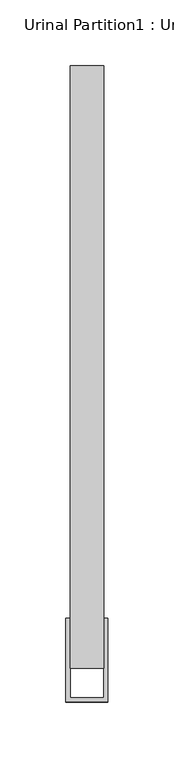
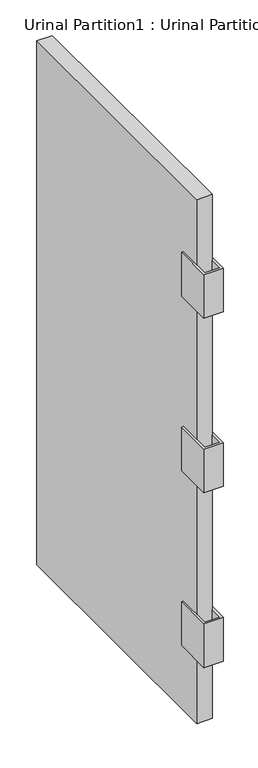
"""IFC4 building model written with IfcOpenShell, lengths in millimetres: flow terminal geometry, Urinal Partition1 : Urinal Partition."""

from ifc_helpers import new_model, si_unit, frame, origin, place, context, project, spatial, polyline, outline, extrude, source, transform, mapped, element, save


def urinal_partition1_urinal_partition_285113fe(model_context):
    return source(origin(), model_context, "Body", "SweptSolid", [
        extrude(outline(polyline([(-24.8185542, 100.0125), (0.5814458, 100.0125), (0.5814458, 160.3375), (3.7564458, 160.3375), (3.7564458, 96.8375), (-27.9935542, 96.8375), (-27.9935542, 160.3375), (-24.8185542, 160.3375), (-24.8185542, 100.0125)])), frame((0.0, 0.0, 1181.1), z_axis=(0.0, 0.0, 1.0), x_axis=(1.0, 0.0, 0.0)), (0.0, 0.0, 1.0), 76.2),
        extrude(outline(polyline([(-24.8185542, 100.0125), (0.5814458, 100.0125), (0.5814458, 160.3375), (3.7564458, 160.3375), (3.7564458, 96.8375), (-27.9935542, 96.8375), (-27.9935542, 160.3375), (-24.8185542, 160.3375), (-24.8185542, 100.0125)])), frame((0.0, 0.0, 876.3), z_axis=(0.0, 0.0, 1.0), x_axis=(1.0, 0.0, 0.0)), (0.0, 0.0, 1.0), 76.2),
        extrude(outline(polyline([(-24.8185542, 100.0125), (0.5814458, 100.0125), (0.5814458, 160.3375), (3.7564458, 160.3375), (3.7564458, 96.8375), (-27.9935542, 96.8375), (-27.9935542, 160.3375), (-24.8185542, 160.3375), (-24.8185542, 100.0125)])), frame((0.0, 0.0, 571.5), z_axis=(0.0, 0.0, 1.0), x_axis=(1.0, 0.0, 0.0)), (0.0, 0.0, 1.0), 76.2),
        extrude(outline(polyline([(0.5814458, 122.2375), (-24.8185542, 122.2375), (-24.8185542, 579.4375), (0.5814458, 579.4375), (0.5814458, 122.2375)])), frame((0.0, 0.0, 457.2), z_axis=(0.0, 0.0, 1.0), x_axis=(1.0, 0.0, 0.0)), (0.0, 0.0, 1.0), 914.4),
    ])


if __name__ == "__main__":
    model = new_model("IFC4")
    model_context = context("Model", 3, world=origin())
    ifc_project = project(units=[si_unit("LENGTHUNIT", "METRE", prefix="MILLI")], contexts=[model_context])
    site = spatial("IfcSite", under=ifc_project)
    building = spatial("IfcBuilding", under=site)
    placement = place(None, origin())
    urinal_partition1_urinal_partition_shape = urinal_partition1_urinal_partition_285113fe(model_context)
    element("IfcFlowTerminal", 1, ObjectType="Urinal Partition1 : Urinal Partition", at=placement, inside=building, context=model_context, shape_type="MappedRepresentation", body=[
        mapped(urinal_partition1_urinal_partition_shape, transform((0.0, 0.0, 0.0), x_axis=(1.0, 0.0, 0.0), y_axis=(0.0, 1.0, 0.0), z_axis=(0.0, 0.0, 1.0))),
    ])
    save(model, "model.ifc")
